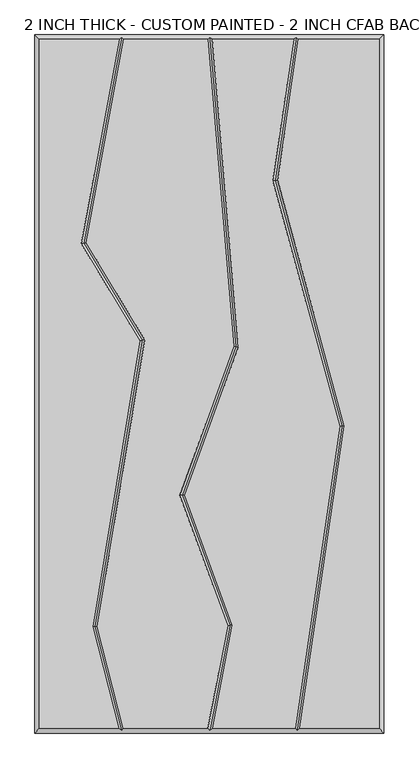
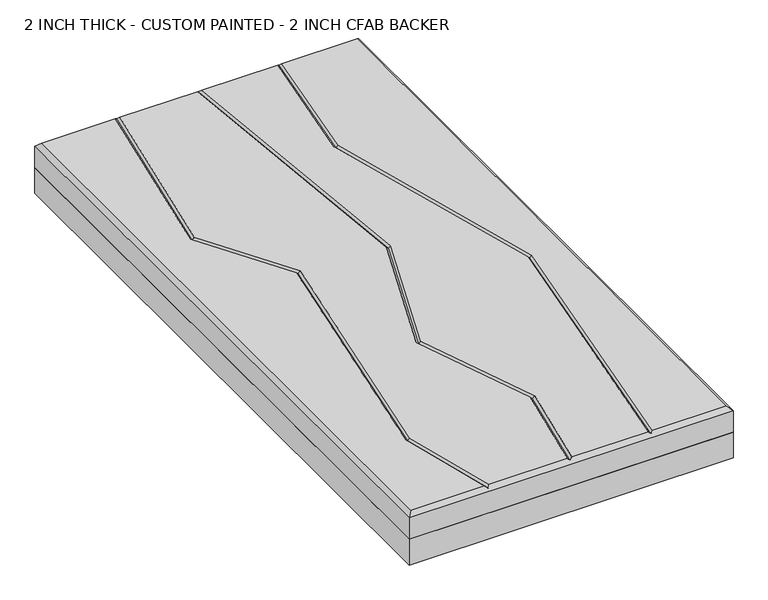
"""IFC4 building model written with IfcOpenShell, lengths in millimetres: proxy geometry, 2 INCH THICK - CUSTOM PAINTED - 2 INCH CFAB BACKER."""

from ifc_helpers import new_model, si_unit, frame, origin, place, context, project, spatial, polyline, outline, extrude, faceted_brep, source, transform, mapped, element, save


def proxy_2_inch_thick_custom_painted_2_inch_cfab_backer_f0512f03(model_context):
    return source(origin(), model_context, "Body", "SolidModel", [
        extrude(outline(polyline([(-304.8, 609.6), (304.8, 609.6), (304.8, -609.6), (-304.8, -609.6), (-304.8, 609.6)])), frame((0.0, 0.0, -50.8), z_axis=(0.0, 0.0, 1.0), x_axis=(1.0, 0.0, 0.0)), (0.0, 0.0, 1.0), 50.8),
        faceted_brep([(-296.799, 601.599, 50.8), (-296.799, -601.599, 50.8), (-158.5803509, -601.599, 50.8), (-204.1076125, -423.9126768, 50.8), (-121.6761617, 75.6458719, 50.8), (-223.5207333, 244.8349563, 50.8), (-157.9388411, 601.599, 50.8), (296.799, -601.599, 50.8), (296.799, 601.599, 50.8), (155.2631596, 601.599, 50.8), (118.9316967, 355.4997887, 50.8), (235.610381, -73.3512983, 50.8), (157.6255242, -601.599, 50.8), (-195.9395558, -423.5559486, 50.8), (-150.3208924, -601.599, 50.8), (-2.5427902, -601.599, 50.8), (31.8547327, -421.752345, 50.8), (-51.4382369, -194.5897006, 50.8), (42.0141797, 65.5616213, 50.8), (-3.3378717, 601.599, 50.8), (-149.8037818, 601.599, 50.8), (-215.1040836, 246.3668022, 50.8), (-113.3024346, 77.2490229, 50.8), (40.1296065, -421.0786666, 50.8), (5.6032357, -601.599, 50.8), (149.5378056, -601.599, 50.8), (227.4508614, -73.8376585, 50.8), (110.7721771, 355.0134284, 50.8), (147.175441, 601.599, 50.8), (4.6917136, 601.599, 50.8), (50.1337385, 64.4981813, 50.8), (-42.9266108, -194.5617101, 50.8), (-304.8, 609.6, 0.0), (304.8, 609.6, 0.0), (304.8, -609.6, 0.0), (-304.8, -609.6, 0.0), (-304.8, -609.6, 42.799), (-304.8, 609.6, 42.799), (304.8, -609.6, 42.799), (304.8, 609.6, 42.799), (-153.1359224, 605.5995, 46.7995), (0.3384541, 605.5995, 46.7995), (151.8098914, 605.5995, 46.7995), (152.9910738, -605.5995, 46.7995), (0.765086, -605.5995, 46.7995), (-153.4256029, -605.5995, 46.7995), (-200.0235842, -423.7343127, 46.7995), (-117.4892982, 76.4474474, 46.7995), (-219.3124085, 245.6008793, 46.7995), (35.9921696, -421.4155058, 46.7995), (-47.1824239, -194.5757053, 46.7995), (46.0739591, 65.0299013, 46.7995), (231.5306212, -73.5944784, 46.7995), (114.8519369, 355.2566085, 46.7995)], [[[0, 1, 2, 3, 4, 5, 6]], [[7, 8, 9, 10, 11, 12]], [[13, 14, 15, 16, 17, 18, 19, 20, 21, 22]], [[23, 24, 25, 26, 27, 28, 29, 30, 31]], [[32, 33, 34, 35]], [[32, 35, 36, 37]], [[35, 34, 38, 36]], [[34, 33, 39, 38]], [[33, 32, 37, 39]], [[37, 0, 6, 40, 20, 19, 41, 29, 28, 42, 9, 8, 39]], [[0, 37, 36, 1]], [[1, 36, 38, 7, 12, 43, 25, 24, 44, 15, 14, 45, 2]], [[39, 8, 7, 38]], [[46, 3, 2, 45]], [[13, 46, 45, 14]], [[3, 46, 47, 4]], [[46, 13, 22, 47]], [[4, 47, 48, 5]], [[47, 22, 21, 48]], [[5, 48, 40, 6]], [[48, 21, 20, 40]], [[49, 16, 15, 44]], [[23, 49, 44, 24]], [[16, 49, 50, 17]], [[49, 23, 31, 50]], [[17, 50, 51, 18]], [[50, 31, 30, 51]], [[18, 51, 41, 19]], [[51, 30, 29, 41]], [[52, 26, 25, 43]], [[11, 52, 43, 12]], [[26, 52, 53, 27]], [[52, 11, 10, 53]], [[27, 53, 42, 28]], [[53, 10, 9, 42]]]),
    ])


if __name__ == "__main__":
    model = new_model("IFC4")
    model_context = context("Model", 3, world=origin())
    ifc_project = project(units=[si_unit("LENGTHUNIT", "METRE", prefix="MILLI")], contexts=[model_context])
    site = spatial("IfcSite", under=ifc_project)
    building = spatial("IfcBuilding", under=site)
    placement = place(None, origin())
    proxy_2_inch_thick_custom_painted_2_inch_cfab_backer_shape = proxy_2_inch_thick_custom_painted_2_inch_cfab_backer_f0512f03(model_context)
    element("IfcBuildingElementProxy", 1, Name="2 INCH THICK - CUSTOM PAINTED - 2 INCH CFAB BACKER", ObjectType="2 INCH THICK - CUSTOM PAINTED - 2 INCH CFAB BACKER", at=placement, inside=building, context=model_context, shape_type="MappedRepresentation", body=[
        mapped(proxy_2_inch_thick_custom_painted_2_inch_cfab_backer_shape, transform((0.0, 0.0, 0.0), x_axis=(1.0, 0.0, 0.0), y_axis=(0.0, 1.0, 0.0), z_axis=(0.0, 0.0, 1.0))),
    ])
    save(model, "model.ifc")
